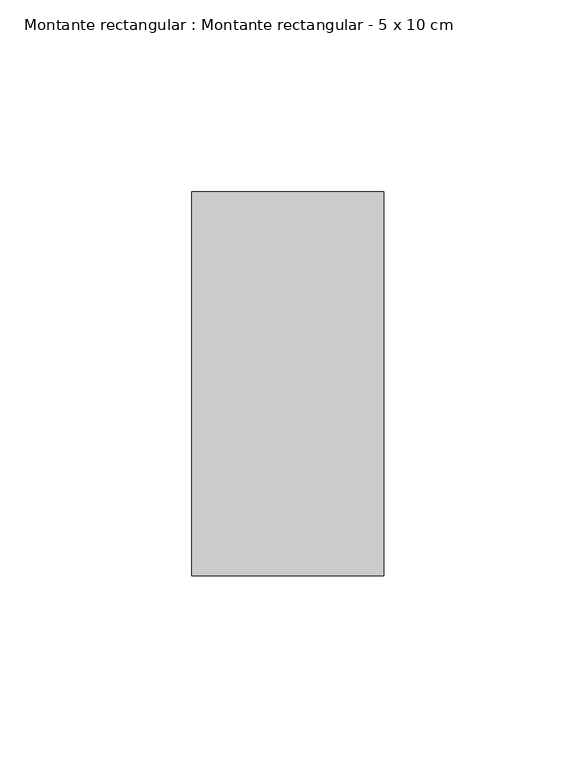
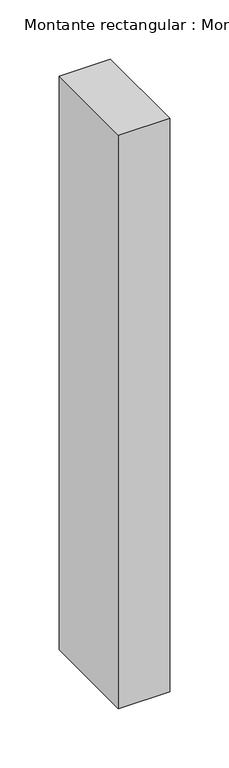
"""IFC4 building model written with IfcOpenShell, lengths in millimetres: member geometry, Montante rectangular : Montante rectangular - 5 x 10 cm."""

from ifc_helpers import new_model, si_unit, frame, origin, place, context, project, spatial, polyline, outline, extrude, source, transform, mapped, element, save


def montante_rectangular_montante_rectangular_5_x_10_cm_3221ba04(model_context):
    return source(origin(), model_context, "Body", "SweptSolid", [
        extrude(outline(polyline([(0.0, 50.0), (0.0, -50.0), (-50.0, -50.0), (-50.0, 50.0), (0.0, 50.0)])), frame((0.0, 0.0, -591.5628148), z_axis=(0.0, 0.0, 1.0), x_axis=(1.0, 0.0, 0.0)), (0.0, 0.0, 1.0), 591.5628148),
    ])


if __name__ == "__main__":
    model = new_model("IFC4")
    model_context = context("Model", 3, world=origin())
    ifc_project = project(units=[si_unit("LENGTHUNIT", "METRE", prefix="MILLI")], contexts=[model_context])
    site = spatial("IfcSite", under=ifc_project)
    building = spatial("IfcBuilding", under=site)
    placement = place(None, origin())
    montante_rectangular_montante_rectangular_5_x_10_cm_shape = montante_rectangular_montante_rectangular_5_x_10_cm_3221ba04(model_context)
    element("IfcMember", 1, ObjectType="Montante rectangular : Montante rectangular - 5 x 10 cm", at=placement, inside=building, context=model_context, shape_type="MappedRepresentation", body=[
        mapped(montante_rectangular_montante_rectangular_5_x_10_cm_shape, transform((0.0, 0.0, 0.0), x_axis=(1.0, 0.0, 0.0), y_axis=(0.0, 1.0, 0.0), z_axis=(0.0, 0.0, 1.0))),
    ])
    save(model, "model.ifc")
